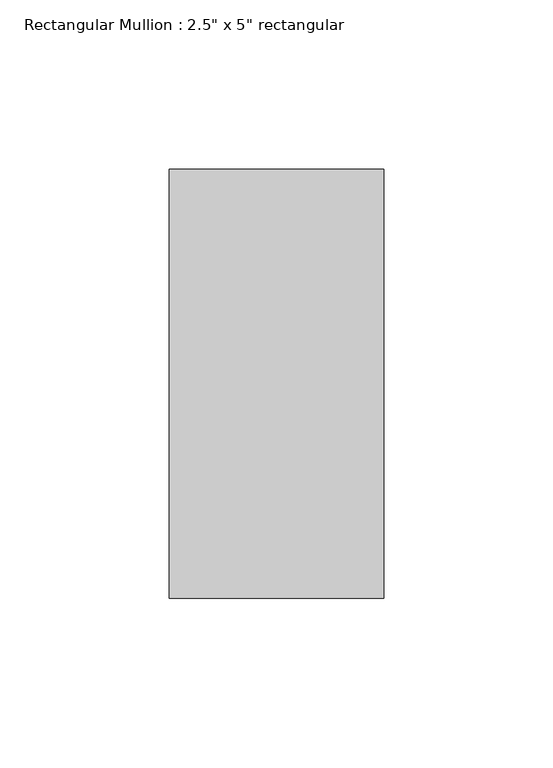
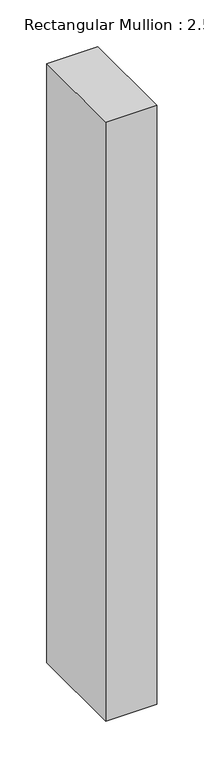
"""IFC4 building model written with IfcOpenShell, lengths in millimetres: member geometry."""

from ifc_helpers import new_model, si_unit, frame, origin, place, context, project, spatial, polyline, outline, extrude, source, transform, mapped, element, save


def member_62882534(model_context):
    return source(origin(), model_context, "Body", "SweptSolid", [
        extrude(outline(polyline([(31.75, 63.5), (31.75, -63.5), (-31.75, -63.5), (-31.75, 63.5), (31.75, 63.5)])), frame((0.0, 0.0, -784.920717), z_axis=(0.0, 0.0, 1.0), x_axis=(1.0, 0.0, 0.0)), (0.0, 0.0, 1.0), 784.920717),
    ])


if __name__ == "__main__":
    model = new_model("IFC4")
    model_context = context("Model", 3, world=origin())
    ifc_project = project(units=[si_unit("LENGTHUNIT", "METRE", prefix="MILLI")], contexts=[model_context])
    site = spatial("IfcSite", under=ifc_project)
    building = spatial("IfcBuilding", under=site)
    placement = place(None, origin())
    member_shape = member_62882534(model_context)
    element("IfcMember", 1, ObjectType="Rectangular Mullion : 2.5\" x 5\" rectangular", at=placement, inside=building, context=model_context, shape_type="MappedRepresentation", body=[
        mapped(member_shape, transform((0.0, 0.0, 0.0), x_axis=(1.0, 0.0, 0.0), y_axis=(0.0, 1.0, 0.0), z_axis=(0.0, 0.0, 1.0))),
    ])
    save(model, "model.ifc")
